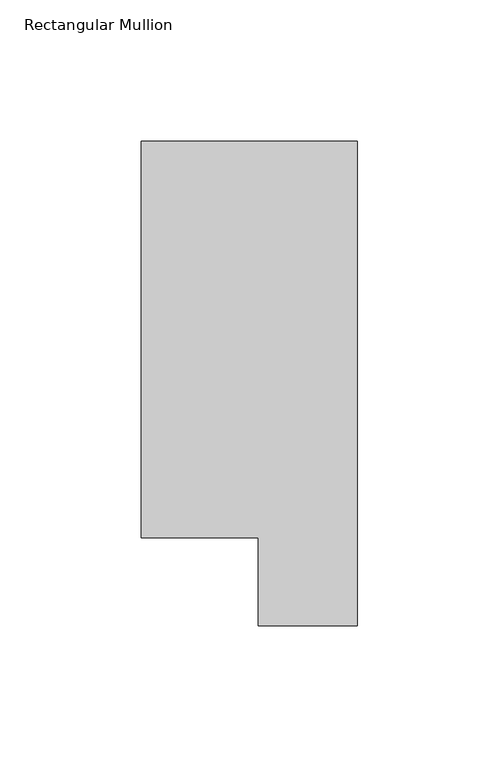
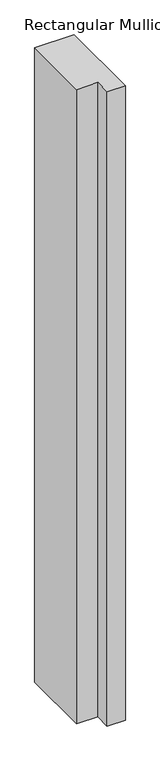
"""IFC4 building model written with IfcOpenShell, lengths in millimetres: member geometry, Rectangular Mullion."""

from ifc_helpers import new_model, si_unit, frame, origin, place, context, project, spatial, polyline, outline, extrude, source, transform, mapped, element, save


def rectangular_mullion_10e4e766(model_context):
    return source(origin(), model_context, "Body", "SweptSolid", [
        extrude(outline(polyline([(-76.2, 190.7881317), (0.0, 190.7881317), (0.0, 19.5667317), (-34.9123, 19.5667317), (-34.9123, 50.8087306), (-76.2, 50.8087306), (-76.2, 190.7881317)])), frame((0.0, 0.0, -1295.4), z_axis=(0.0, 0.0, 1.0), x_axis=(1.0, 0.0, 0.0)), (0.0, 0.0, 1.0), 1295.4),
    ])


if __name__ == "__main__":
    model = new_model("IFC4")
    model_context = context("Model", 3, world=origin())
    ifc_project = project(units=[si_unit("LENGTHUNIT", "METRE", prefix="MILLI")], contexts=[model_context])
    site = spatial("IfcSite", under=ifc_project)
    building = spatial("IfcBuilding", under=site)
    placement = place(None, origin())
    rectangular_mullion_shape = rectangular_mullion_10e4e766(model_context)
    element("IfcMember", 1, ObjectType="Rectangular Mullion", at=placement, inside=building, context=model_context, shape_type="MappedRepresentation", body=[
        mapped(rectangular_mullion_shape, transform((0.0, 0.0, 0.0), x_axis=(1.0, 0.0, 0.0), y_axis=(0.0, 1.0, 0.0), z_axis=(0.0, 0.0, 1.0))),
    ])
    save(model, "model.ifc")
